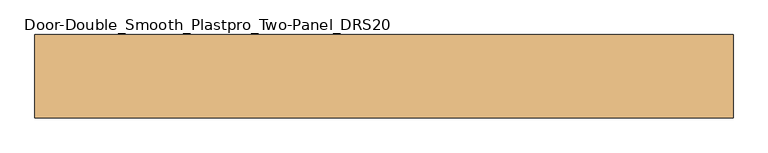
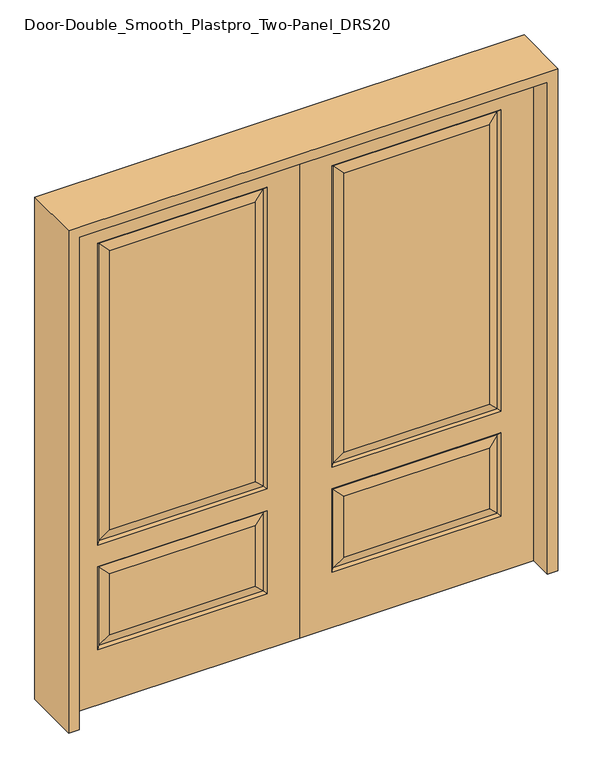
"""IFC4 building model written with IfcOpenShell, lengths in millimetres: door geometry, Door-Double_Smooth_Plastpro_Two-Panel_DRS20."""

from ifc_helpers import new_model, si_unit, frame, origin, place, context, project, spatial, polyline, outline, extrude, faceted_brep, source, transform, mapped, element, save


def door_double_smooth_plastpro_two_panel_drs20_a224ca0c(model_context):
    return source(origin(), model_context, "Body", "SolidModel", [
        faceted_brep([(-914.4, 20.6375, 2032.0), (-914.4, -20.6375, 2032.0), (0.0, -20.6375, 2032.0), (0.0, 20.6375, 2032.0), (-914.4, -20.6375, 0.0), (0.0, -20.6375, 0.0), (-787.4, -20.6375, 228.6), (-787.4, -20.6375, 571.5), (-127.0, -20.6375, 571.5), (-127.0, -20.6375, 228.6), (-787.4, -20.6375, 660.4), (-787.4, -20.6375, 1905.0), (-127.0, -20.6375, 1905.0), (-127.0, -20.6375, 660.4), (-173.0375, -20.6375, 706.4375), (-173.0375, -20.6375, 1858.9625), (-741.3625, -20.6375, 1858.9625), (-741.3625, -20.6375, 706.4375), (-173.0375, -20.6375, 274.6375), (-173.0375, -20.6375, 525.4625), (-741.3625, -20.6375, 525.4625), (-741.3625, -20.6375, 274.6375), (-778.4197439, 11.6572439, 562.5197439), (-787.4, 20.6375, 571.5), (-127.0, 20.6375, 571.5), (-135.9802561, 11.6572439, 562.5197439), (-127.0, 20.6375, 228.6), (-135.9802561, 11.6572439, 237.5802561), (-787.4, 20.6375, 228.6), (-778.4197439, 11.6572439, 237.5802561), (-778.4197439, -11.6572439, 669.3802561), (-135.9802561, -11.6572439, 669.3802561), (-135.9802561, -11.6572439, 1896.0197439), (-778.4197439, -11.6572439, 1896.0197439), (-778.4197439, -11.6572439, 237.5802561), (-135.9802561, -11.6572439, 237.5802561), (-778.4197439, -11.6572439, 562.5197439), (-135.9802561, -11.6572439, 562.5197439), (-914.4, 20.6375, 0.0), (0.0, 20.6375, 0.0), (-173.0375, 20.6375, 525.4625), (-173.0375, 20.6375, 274.6375), (-741.3625, 20.6375, 274.6375), (-741.3625, 20.6375, 525.4625), (-787.4, 20.6375, 1905.0), (-787.4, 20.6375, 660.4), (-127.0, 20.6375, 660.4), (-127.0, 20.6375, 1905.0), (-173.0375, 20.6375, 1858.9625), (-173.0375, 20.6375, 706.4375), (-741.3625, 20.6375, 706.4375), (-741.3625, 20.6375, 1858.9625), (-135.9802561, 11.6572439, 669.3802561), (-135.9802561, 11.6572439, 1896.0197439), (-778.4197439, 11.6572439, 669.3802561), (-778.4197439, 11.6572439, 1896.0197439)], [[[0, 1, 2, 3]], [[1, 4, 5, 2], [6, 7, 8, 9], [10, 11, 12, 13]], [[14, 15, 16, 17]], [[18, 19, 20, 21]], [[22, 23, 24, 25]], [[24, 26, 27, 25]], [[26, 28, 29, 27]], [[22, 29, 28, 23]], [[30, 10, 13, 31]], [[13, 12, 32, 31]], [[30, 33, 11, 10]], [[31, 14, 17, 30]], [[31, 32, 15, 14]], [[34, 6, 9, 35]], [[34, 36, 7, 6]], [[37, 36, 20, 19]], [[35, 37, 19, 18]], [[38, 39, 5, 4]], [[0, 38, 4, 1]], [[2, 5, 39, 3]], [[40, 41, 42, 43]], [[3, 39, 38, 0], [23, 28, 26, 24], [44, 45, 46, 47]], [[48, 49, 50, 51]], [[47, 46, 52, 53]], [[46, 45, 54, 52]], [[55, 54, 45, 44]], [[51, 50, 54, 55]], [[52, 54, 50, 49]], [[53, 52, 49, 48]], [[25, 40, 43, 22]], [[43, 42, 29, 22]], [[27, 29, 42, 41]], [[25, 27, 41, 40]], [[17, 16, 33, 30]], [[9, 8, 37, 35]], [[8, 7, 36, 37]], [[35, 18, 21, 34]], [[21, 20, 36, 34]], [[12, 11, 33, 32]], [[32, 33, 16, 15]], [[55, 44, 47, 53]], [[53, 48, 51, 55]]]),
        faceted_brep([(914.4, 20.6375, 2032.0), (0.0, 20.6375, 2032.0), (0.0, -20.6375, 2032.0), (914.4, -20.6375, 2032.0), (173.0375, -20.6375, 706.4375), (741.3625, -20.6375, 706.4375), (741.3625, -20.6375, 1858.9625), (173.0375, -20.6375, 1858.9625), (173.0375, -20.6375, 274.6375), (741.3625, -20.6375, 274.6375), (741.3625, -20.6375, 525.4625), (173.0375, -20.6375, 525.4625), (0.0, -20.6375, 0.0), (914.4, -20.6375, 0.0), (787.4, -20.6375, 660.4), (127.0, -20.6375, 660.4), (127.0, -20.6375, 1905.0), (787.4, -20.6375, 1905.0), (787.4, -20.6375, 228.6), (127.0, -20.6375, 228.6), (127.0, -20.6375, 571.5), (787.4, -20.6375, 571.5), (778.4197439, 11.6572439, 562.5197439), (135.9802561, 11.6572439, 562.5197439), (127.0, 20.6375, 571.5), (787.4, 20.6375, 571.5), (135.9802561, 11.6572439, 237.5802561), (127.0, 20.6375, 228.6), (778.4197439, 11.6572439, 237.5802561), (787.4, 20.6375, 228.6), (778.4197439, -11.6572439, 669.3802561), (135.9802561, -11.6572439, 669.3802561), (135.9802561, -11.6572439, 1896.0197439), (778.4197439, -11.6572439, 1896.0197439), (778.4197439, -11.6572439, 237.5802561), (135.9802561, -11.6572439, 237.5802561), (778.4197439, -11.6572439, 562.5197439), (135.9802561, -11.6572439, 562.5197439), (914.4, 20.6375, 0.0), (0.0, 20.6375, 0.0), (173.0375, 20.6375, 525.4625), (741.3625, 20.6375, 525.4625), (741.3625, 20.6375, 274.6375), (173.0375, 20.6375, 274.6375), (173.0375, 20.6375, 1858.9625), (741.3625, 20.6375, 1858.9625), (741.3625, 20.6375, 706.4375), (173.0375, 20.6375, 706.4375), (787.4, 20.6375, 1905.0), (127.0, 20.6375, 1905.0), (127.0, 20.6375, 660.4), (787.4, 20.6375, 660.4), (135.9802561, 11.6572439, 1896.0197439), (135.9802561, 11.6572439, 669.3802561), (778.4197439, 11.6572439, 669.3802561), (778.4197439, 11.6572439, 1896.0197439)], [[[0, 1, 2, 3]], [[4, 5, 6, 7]], [[8, 9, 10, 11]], [[3, 2, 12, 13], [14, 15, 16, 17], [18, 19, 20, 21]], [[22, 23, 24, 25]], [[24, 23, 26, 27]], [[27, 26, 28, 29]], [[22, 25, 29, 28]], [[30, 31, 15, 14]], [[15, 31, 32, 16]], [[30, 14, 17, 33]], [[31, 30, 5, 4]], [[31, 4, 7, 32]], [[34, 35, 19, 18]], [[34, 18, 21, 36]], [[37, 11, 10, 36]], [[35, 8, 11, 37]], [[38, 13, 12, 39]], [[0, 3, 13, 38]], [[2, 1, 39, 12]], [[40, 41, 42, 43]], [[44, 45, 46, 47]], [[1, 0, 38, 39], [48, 49, 50, 51], [25, 24, 27, 29]], [[49, 52, 53, 50]], [[50, 53, 54, 51]], [[55, 48, 51, 54]], [[45, 55, 54, 46]], [[53, 47, 46, 54]], [[52, 44, 47, 53]], [[23, 22, 41, 40]], [[41, 22, 28, 42]], [[26, 43, 42, 28]], [[23, 40, 43, 26]], [[5, 30, 33, 6]], [[19, 35, 37, 20]], [[20, 37, 36, 21]], [[35, 34, 9, 8]], [[9, 34, 36, 10]], [[16, 32, 33, 17]], [[32, 7, 6, 33]], [[55, 52, 49, 48]], [[52, 55, 45, 44]]]),
        extrude(outline(polyline([(2073.275, -955.675), (0.0, -955.675), (0.0, -914.4), (2032.0, -914.4), (2032.0, 914.4), (0.0, 914.4), (0.0, 955.675), (2073.275, 955.675), (2073.275, -955.675)])), frame((0.0, -114.3, 0.0), z_axis=(0.0, 1.0, 0.0), x_axis=(0.0, 0.0, 1.0)), (0.0, 0.0, 1.0), 228.6),
    ])


if __name__ == "__main__":
    model = new_model("IFC4")
    model_context = context("Model", 3, world=origin())
    ifc_project = project(units=[si_unit("LENGTHUNIT", "METRE", prefix="MILLI")], contexts=[model_context])
    site = spatial("IfcSite", under=ifc_project)
    building = spatial("IfcBuilding", under=site)
    placement = place(None, origin())
    door_double_smooth_plastpro_two_panel_drs20_shape = door_double_smooth_plastpro_two_panel_drs20_a224ca0c(model_context)
    element("IfcDoor", 1, ObjectType="Door-Double_Smooth_Plastpro_Two-Panel_DRS20", at=placement, inside=building, context=model_context, shape_type="MappedRepresentation", body=[
        mapped(door_double_smooth_plastpro_two_panel_drs20_shape, transform((0.0, 0.0, 0.0), x_axis=(1.0, 0.0, 0.0), y_axis=(0.0, 1.0, 0.0), z_axis=(0.0, 0.0, 1.0))),
    ])
    save(model, "model.ifc")
